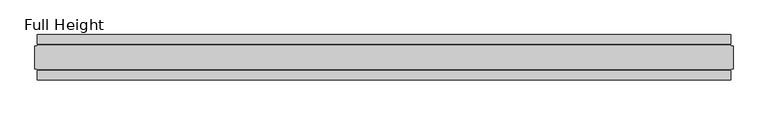
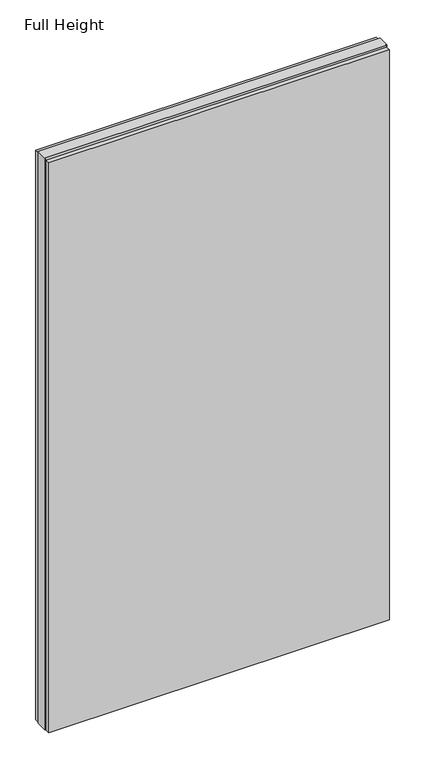
"""IFC4 building model written with IfcOpenShell, lengths in millimetres: plate geometry, Full Height."""

from ifc_helpers import new_model, si_unit, origin, origin_with_axes, place, context, project, spatial, polyline, outline, extrude, source, transform, mapped, element, save


def full_height_17d0fef7(model_context):
    return source(origin(), model_context, "Body", "SweptSolid", [
        extrude(outline(polyline([(757.428, 28.956), (-757.428, 28.956), (-757.428, 49.53), (757.428, 49.53), (757.428, 28.956)])), origin_with_axes(), (0.0, 0.0, 1.0), 2679.192),
        extrude(outline(polyline([(757.428, -28.956), (757.428, -49.53), (-757.428, -49.53), (-757.428, -28.956), (757.428, -28.956)])), origin_with_axes(), (0.0, 0.0, 1.0), 2679.192),
        extrude(outline(polyline([(757.428, -25.146), (757.428, -26.67), (-757.428, -26.67), (-757.428, -25.146), (-762.0, -25.146), (-762.0, 25.146), (-757.428, 25.146), (-757.428, 26.67), (757.428, 26.67), (757.428, 25.146), (762.0, 25.146), (762.0, -25.146), (757.428, -25.146)])), origin_with_axes(), (0.0, 0.0, 1.0), 2688.336),
    ])


if __name__ == "__main__":
    model = new_model("IFC4")
    model_context = context("Model", 3, world=origin())
    ifc_project = project(units=[si_unit("LENGTHUNIT", "METRE", prefix="MILLI")], contexts=[model_context])
    site = spatial("IfcSite", under=ifc_project)
    building = spatial("IfcBuilding", under=site)
    placement = place(None, origin())
    full_height_shape = full_height_17d0fef7(model_context)
    element("IfcPlate", 1, ObjectType="Full Height", at=placement, inside=building, context=model_context, shape_type="MappedRepresentation", body=[
        mapped(full_height_shape, transform((0.0, 0.0, 0.0), x_axis=(1.0, 0.0, 0.0), y_axis=(0.0, 1.0, 0.0), z_axis=(0.0, 0.0, 1.0))),
    ])
    save(model, "model.ifc")
